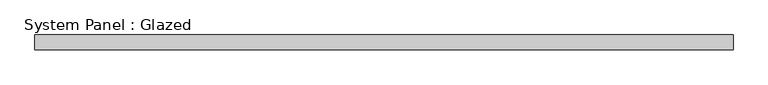
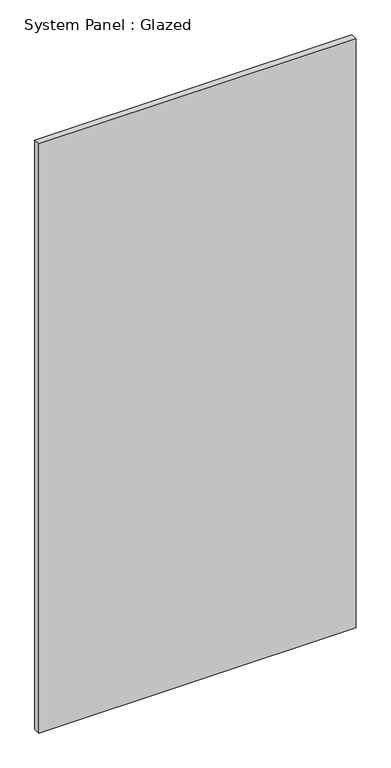
"""IFC4 building model written with IfcOpenShell, lengths in millimetres: plate geometry, System Panel : Glazed."""

from ifc_helpers import new_model, si_unit, origin, origin_with_axes, place, context, project, spatial, polyline, outline, extrude, source, transform, mapped, element, save


def system_panel_glazed_521ae5e2(model_context):
    return source(origin(), model_context, "Body", "SweptSolid", [
        extrude(outline(polyline([(597.375, 19.05), (-597.375, 19.05), (-597.375, 44.45), (597.375, 44.45), (597.375, 19.05)])), origin_with_axes(), (0.0, 0.0, 1.0), 2343.15),
    ])


if __name__ == "__main__":
    model = new_model("IFC4")
    model_context = context("Model", 3, world=origin())
    ifc_project = project(units=[si_unit("LENGTHUNIT", "METRE", prefix="MILLI")], contexts=[model_context])
    site = spatial("IfcSite", under=ifc_project)
    building = spatial("IfcBuilding", under=site)
    placement = place(None, origin())
    system_panel_glazed_shape = system_panel_glazed_521ae5e2(model_context)
    element("IfcPlate", 1, ObjectType="System Panel : Glazed", at=placement, inside=building, context=model_context, shape_type="MappedRepresentation", body=[
        mapped(system_panel_glazed_shape, transform((0.0, 0.0, 0.0), x_axis=(1.0, 0.0, 0.0), y_axis=(0.0, 1.0, 0.0), z_axis=(0.0, 0.0, 1.0))),
    ])
    save(model, "model.ifc")
